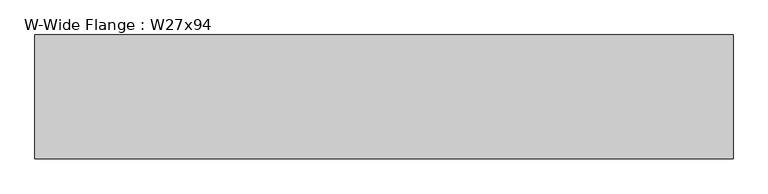
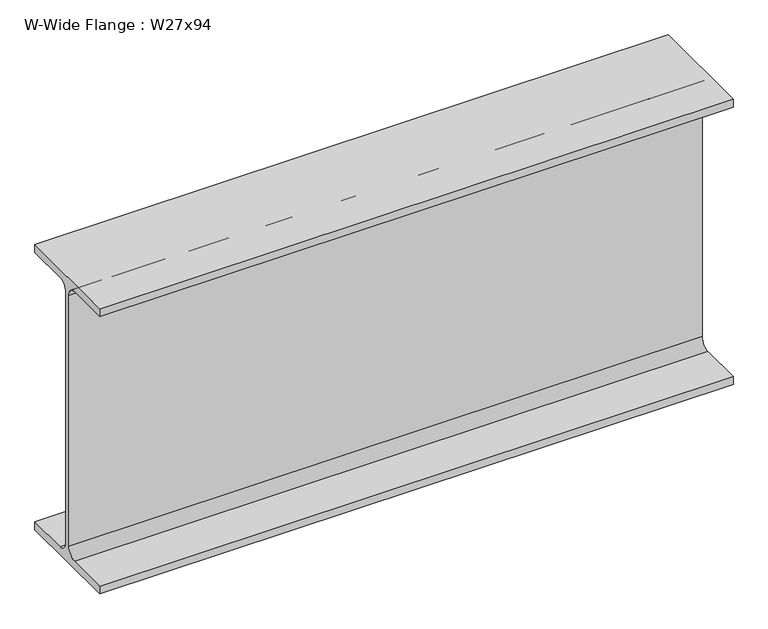
"""IFC4 building model written with IfcOpenShell, lengths in millimetres: beam geometry, W-Wide Flange : W27x94."""

from ifc_helpers import new_model, si_unit, point, frame, frame_2d, origin, place, context, project, spatial, polyline, circle_curve, trimmed, segment, composite_curve, outline, extrude, source, transform, mapped, element, save


def w_wide_flange_w27x94_cf7b2b86(model_context):
    return source(origin(), model_context, "Body", "SweptSolid", [
        extrude(outline(composite_curve([segment(polyline([(-127.0, -322.707), (-28.575, -322.707)]), True, "CONTINUOUS"), segment(trimmed(circle_curve(frame_2d((-28.575, -300.355)), 22.352), [point((-28.575, -322.707))], [point((-6.223, -300.355))], True, "CARTESIAN"), True, "CONTINUOUS"), segment(polyline([(-6.223, -300.355), (-6.223, 300.355)]), True, "CONTINUOUS"), segment(trimmed(circle_curve(frame_2d((-28.575, 300.355)), 22.352), [point((-6.223, 300.355))], [point((-28.575, 322.707))], True, "CARTESIAN"), True, "CONTINUOUS"), segment(polyline([(-28.575, 322.707), (-127.0, 322.707), (-127.0, 341.63), (127.0, 341.63), (127.0, 322.707), (28.575, 322.707)]), True, "CONTINUOUS"), segment(trimmed(circle_curve(frame_2d((28.575, 300.355)), 22.352), [point((28.575, 322.707))], [point((6.223, 300.355))], True, "CARTESIAN"), True, "CONTINUOUS"), segment(polyline([(6.223, 300.355), (6.223, -300.355)]), True, "CONTINUOUS"), segment(trimmed(circle_curve(frame_2d((28.575, -300.355)), 22.352), [point((6.223, -300.355))], [point((28.575, -322.707))], True, "CARTESIAN"), True, "CONTINUOUS"), segment(polyline([(28.575, -322.707), (127.0, -322.707), (127.0, -341.63), (-127.0, -341.63), (-127.0, -322.707)]), True, "CONTINUOUS")], self_intersect=False)), frame((-580.39, 0.0, 0.0), z_axis=(1.0, 0.0, 0.0), x_axis=(0.0, 1.0, 0.0)), (0.0, 0.0, 1.0), 1434.0976003),
    ])


if __name__ == "__main__":
    model = new_model("IFC4")
    model_context = context("Model", 3, world=origin())
    ifc_project = project(units=[si_unit("LENGTHUNIT", "METRE", prefix="MILLI")], contexts=[model_context])
    site = spatial("IfcSite", under=ifc_project)
    building = spatial("IfcBuilding", under=site)
    placement = place(None, origin())
    w_wide_flange_w27x94_shape = w_wide_flange_w27x94_cf7b2b86(model_context)
    element("IfcBeam", 1, ObjectType="W-Wide Flange : W27x94", at=placement, inside=building, context=model_context, shape_type="MappedRepresentation", body=[
        mapped(w_wide_flange_w27x94_shape, transform((0.0, 0.0, 0.0), x_axis=(1.0, 0.0, 0.0), y_axis=(0.0, 1.0, 0.0), z_axis=(0.0, 0.0, 1.0))),
    ])
    save(model, "model.ifc")
